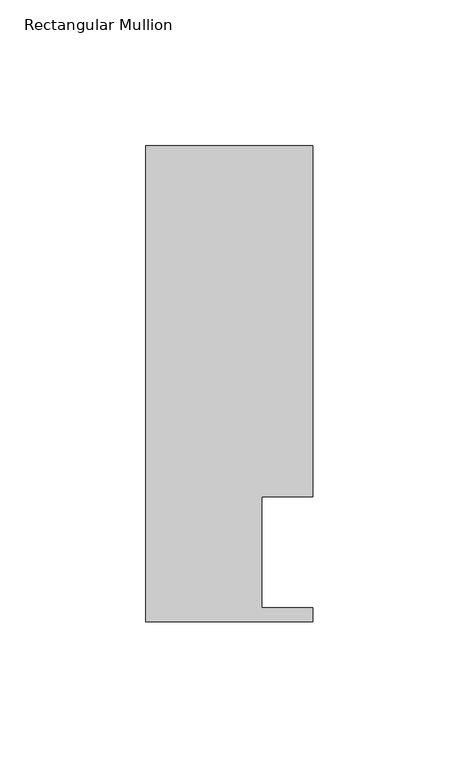
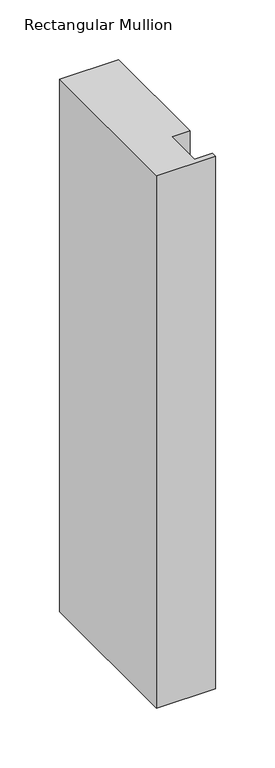
"""IFC4 building model written with IfcOpenShell, lengths in millimetres: member geometry, Rectangular Mullion."""

from ifc_helpers import new_model, si_unit, frame, origin, place, context, project, spatial, polyline, outline, extrude, source, transform, mapped, element, save


def rectangular_mullion_206100f7(model_context):
    return source(origin(), model_context, "Body", "SweptSolid", [
        extrude(outline(polyline([(0.0, 151.892), (0.0, 31.75), (-17.4752, 31.75), (-17.4752, -6.35), (0.0, -6.35), (0.0, -11.176), (-57.15, -11.176), (-57.15, 151.892), (0.0, 151.892)])), frame((0.0, 0.0, -546.1), z_axis=(0.0, 0.0, 1.0), x_axis=(1.0, 0.0, 0.0)), (0.0, 0.0, 1.0), 546.1),
    ])


if __name__ == "__main__":
    model = new_model("IFC4")
    model_context = context("Model", 3, world=origin())
    ifc_project = project(units=[si_unit("LENGTHUNIT", "METRE", prefix="MILLI")], contexts=[model_context])
    site = spatial("IfcSite", under=ifc_project)
    building = spatial("IfcBuilding", under=site)
    placement = place(None, origin())
    rectangular_mullion_shape = rectangular_mullion_206100f7(model_context)
    element("IfcMember", 1, ObjectType="Rectangular Mullion", at=placement, inside=building, context=model_context, shape_type="MappedRepresentation", body=[
        mapped(rectangular_mullion_shape, transform((0.0, 0.0, 0.0), x_axis=(1.0, 0.0, 0.0), y_axis=(0.0, 1.0, 0.0), z_axis=(0.0, 0.0, 1.0))),
    ])
    save(model, "model.ifc")
